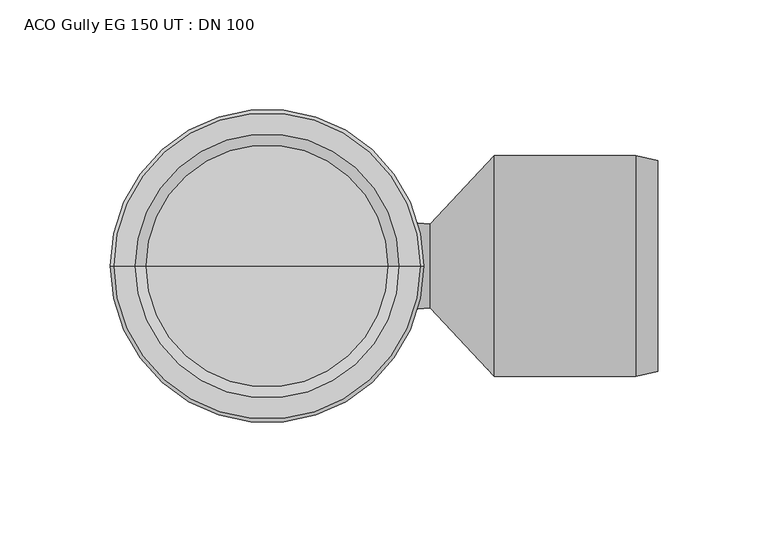
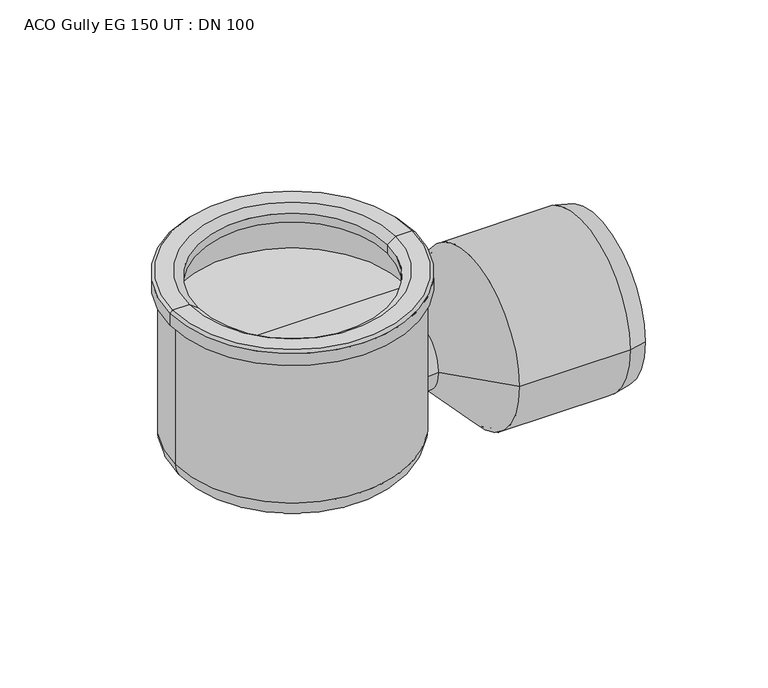
"""IFC4 building model written with IfcOpenShell, lengths in millimetres: flow terminal geometry, ACO Gully EG 150 UT : DN 100."""

from ifc_helpers import new_model, si_unit, point, frame, origin, place, context, project, spatial, polyline, circle_curve, ellipse_curve, trimmed, source, transform, mapped, element, save
from ifc_brep_helpers import plane_surface, cylinder_surface, revolved_surface, advanced_brep


def aco_gully_eg_150_ut_dn_100_2288ac63(model_context):
    return source(origin(), model_context, "Body", "AdvancedBrep", [
        advanced_brep(
        [(-68.0, 0.0, -195.3489424), (68.0, 0.0, -195.3489424), (55.8489424, 0.0, -207.5), (-55.8489424, 0.0, -207.5), (-68.0, 0.0, -108.7851751), (68.0, 0.0, -108.7851751), (0.0, 0.0, -207.5), (-66.5, 0.0, -132.7134268), (66.5, 0.0, -132.7134268), (66.5, 0.0, -108.7851751), (-66.5, 0.0, -108.7851751), (0.0, 0.0, -132.7134268), (-71.0767781, 0.0, -108.7851751), (71.0767781, 0.0, -108.7851751), (-71.0767781, 0.0, -101.5), (71.0767781, 0.0, -101.5), (-69.5767781, 0.0, -100.0), (69.5767781, 0.0, -100.0), (-60.0, 0.0, -100.0), (60.0, 0.0, -100.0), (-55.0, 0.0, -103.4364048), (55.0, 0.0, -103.4364048), (-55.0, 0.0, -108.7851751), (55.0, 0.0, -108.7851751)],
        [
            (0, 1, circle_curve(frame((0.0, 0.0, -195.3489424), z_axis=(0.0, 0.0, -1.0), x_axis=(1.0, 0.0, 0.0)), 68.0)),
            (1, 2, circle_curve(frame((55.8489424, 0.0, -195.3489424), z_axis=(0.0, 1.0, 0.0), x_axis=(1.0, 0.0, 0.0)), 12.1510576)),
            (2, 3, circle_curve(frame((0.0, 0.0, -207.5), z_axis=(0.0, 0.0, 1.0), x_axis=(1.0, 0.0, 0.0)), 55.8489424)),
            (3, 0, circle_curve(frame((-55.8489424, 0.0, -195.3489424), z_axis=(0.0, 1.0, 0.0), x_axis=(-1.0, 0.0, 0.0)), 12.1510576)),
            (1, 0, circle_curve(frame((0.0, 0.0, -195.3489424), z_axis=(0.0, 0.0, -1.0), x_axis=(1.0, 0.0, 0.0)), 68.0)),
            (3, 2, circle_curve(frame((0.0, 0.0, -207.5), z_axis=(0.0, 0.0, 1.0), x_axis=(1.0, 0.0, 0.0)), 55.8489424)),
            (4, 5, circle_curve(frame((0.0, 0.0, -108.7851751), z_axis=(0.0, 0.0, -1.0), x_axis=(1.0, 0.0, 0.0)), 68.0)),
            (5, 1),
            (0, 4),
            (5, 4, circle_curve(frame((0.0, 0.0, -108.7851751), z_axis=(0.0, 0.0, -1.0), x_axis=(1.0, 0.0, 0.0)), 68.0)),
            (2, 6),
            (6, 3),
            (7, 8, circle_curve(frame((0.0, 0.0, -132.7134268), z_axis=(0.0, 0.0, -1.0), x_axis=(1.0, 0.0, 0.0)), 66.5)),
            (8, 9),
            (9, 10, circle_curve(frame((0.0, 0.0, -108.7851751), z_axis=(0.0, 0.0, 1.0), x_axis=(1.0, 0.0, 0.0)), 66.5)),
            (10, 7),
            (8, 7, circle_curve(frame((0.0, 0.0, -132.7134268), z_axis=(0.0, 0.0, -1.0), x_axis=(1.0, 0.0, 0.0)), 66.5)),
            (10, 9, circle_curve(frame((0.0, 0.0, -108.7851751), z_axis=(0.0, 0.0, 1.0), x_axis=(1.0, 0.0, 0.0)), 66.5)),
            (11, 8),
            (7, 11),
            (12, 13, circle_curve(frame((0.0, 0.0, -108.7851751), z_axis=(0.0, 0.0, -1.0), x_axis=(1.0, 0.0, 0.0)), 71.0767781)),
            (13, 5),
            (4, 12),
            (13, 12, circle_curve(frame((0.0, 0.0, -108.7851751), z_axis=(0.0, 0.0, -1.0), x_axis=(1.0, 0.0, 0.0)), 71.0767781)),
            (14, 15, circle_curve(frame((0.0, 0.0, -101.5), z_axis=(0.0, 0.0, -1.0), x_axis=(1.0, 0.0, 0.0)), 71.0767781)),
            (15, 13),
            (12, 14),
            (15, 14, circle_curve(frame((0.0, 0.0, -101.5), z_axis=(0.0, 0.0, -1.0), x_axis=(1.0, 0.0, 0.0)), 71.0767781)),
            (16, 17, circle_curve(frame((0.0, 0.0, -100.0), z_axis=(0.0, 0.0, -1.0), x_axis=(1.0, 0.0, 0.0)), 69.5767781)),
            (17, 15),
            (14, 16),
            (17, 16, circle_curve(frame((0.0, 0.0, -100.0), z_axis=(0.0, 0.0, -1.0), x_axis=(1.0, 0.0, 0.0)), 69.5767781)),
            (18, 19, circle_curve(frame((0.0, 0.0, -100.0), z_axis=(0.0, 0.0, -1.0), x_axis=(1.0, 0.0, 0.0)), 60.0)),
            (19, 17),
            (16, 18),
            (19, 18, circle_curve(frame((0.0, 0.0, -100.0), z_axis=(0.0, 0.0, -1.0), x_axis=(1.0, 0.0, 0.0)), 60.0)),
            (20, 21, circle_curve(frame((0.0, 0.0, -103.4364048), z_axis=(0.0, 0.0, -1.0), x_axis=(1.0, 0.0, 0.0)), 55.0)),
            (21, 19),
            (18, 20),
            (21, 20, circle_curve(frame((0.0, 0.0, -103.4364048), z_axis=(0.0, 0.0, -1.0), x_axis=(1.0, 0.0, 0.0)), 55.0)),
            (22, 23, circle_curve(frame((0.0, 0.0, -108.7851751), z_axis=(0.0, 0.0, -1.0), x_axis=(1.0, 0.0, 0.0)), 55.0)),
            (23, 21),
            (20, 22),
            (23, 22, circle_curve(frame((0.0, 0.0, -108.7851751), z_axis=(0.0, 0.0, -1.0), x_axis=(1.0, 0.0, 0.0)), 55.0)),
            (9, 23),
            (22, 10),
        ],
        [
            revolved_surface(trimmed(ellipse_curve(frame((55.8489424, 0.0, -195.3489424), z_axis=(0.0, -1.0, 0.0), x_axis=(1.0, 0.0, 0.0)), 12.1510576, 12.1510576), [point((55.8489424, 0.0, -207.5))], [point((68.0, 0.0, -195.3489424))], True, "CARTESIAN"), (0.0, 0.0, -101.7134268), (0.0, 0.0, 1.0)),
            cylinder_surface(frame((0.0, 0.0, -101.7134268), z_axis=(0.0, 0.0, 1.0), x_axis=(1.0, 0.0, 0.0)), 68.0),
            plane_surface(frame((0.0, 0.0, -207.5), z_axis=(0.0, 0.0, -1.0), x_axis=(1.0, 0.0, 0.0))),
            revolved_surface(polyline([(66.5, 0.0, -108.7851751), (66.5, 0.0, -132.7134268)]), (0.0, 0.0, -101.7134268), (0.0, 0.0, 1.0)),
            plane_surface(frame((0.0, 0.0, -132.7134268), z_axis=(0.0, 0.0, 1.0), x_axis=(1.0, 0.0, 0.0))),
            plane_surface(frame((0.0, 0.0, -108.7851751), z_axis=(0.0, 0.0, -1.0), x_axis=(1.0, 0.0, 0.0))),
            cylinder_surface(frame((0.0, 0.0, -101.7134268), z_axis=(0.0, 0.0, 1.0), x_axis=(1.0, 0.0, 0.0)), 71.0767781),
            revolved_surface(polyline([(71.0767781, 0.0, -101.5), (69.5767781, 0.0, -100.0)]), (0.0, 0.0, -101.7134268), (0.0, 0.0, 1.0)),
            plane_surface(frame((0.0, 0.0, -100.0), z_axis=(0.0, 0.0, 1.0), x_axis=(1.0, 0.0, 0.0))),
            revolved_surface(polyline([(60.0, 0.0, -100.0), (55.0, 0.0, -103.4364048)]), (0.0, 0.0, -101.7134268), (0.0, 0.0, 1.0)),
            revolved_surface(polyline([(55.0, 0.0, -103.4364048), (55.0, 0.0, -108.7851751)]), (0.0, 0.0, -101.7134268), (0.0, 0.0, 1.0)),
        ],
        [
            (0, [[1, 2, 3, 4]]),
            (0, [[5, -4, 6, -2]]),
            (1, [[7, 8, -1, 9]]),
            (1, [[10, -9, -5, -8]]),
            (2, [[-3, 11, 12]]),
            (2, [[-6, -12, -11]]),
            (3, [[13, 14, 15, 16]]),
            (3, [[17, -16, 18, -14]]),
            (4, [[19, -13, 20]]),
            (4, [[-20, -17, -19]]),
            (5, [[21, 22, -7, 23]]),
            (5, [[24, -23, -10, -22]]),
            (6, [[25, 26, -21, 27]]),
            (6, [[28, -27, -24, -26]]),
            (7, [[29, 30, -25, 31]]),
            (7, [[32, -31, -28, -30]]),
            (8, [[33, 34, -29, 35]]),
            (8, [[36, -35, -32, -34]]),
            (9, [[37, 38, -33, 39]]),
            (9, [[40, -39, -36, -38]]),
            (10, [[41, 42, -37, 43]]),
            (10, [[44, -43, -40, -42]]),
            (5, [[-15, 45, -41, 46]]),
            (5, [[-18, -46, -44, -45]]),
        ],
    ),
        advanced_brep(
        [(177.0374565, -47.8503347, -177.0), (177.0374565, 47.8503347, -177.0), (177.0374565, 46.7901902, -177.0), (177.0374565, -46.7901902, -177.0), (103.0374565, -50.0, -177.0), (103.0374565, 50.0, -177.0), (166.9814513, 50.0, -177.0), (166.9814513, -50.0, -177.0), (0.0374565, 0.0, -177.0), (0.0374565, 25.0, -177.0), (0.0374565, -25.0, -177.0), (73.9410724, -19.0, -177.0), (73.9410724, 19.0, -177.0), (100.0374565, -46.7901902, -177.0), (100.0374565, 46.7901902, -177.0), (100.0374565, 0.0, -177.0)],
        [
            (0, 1, circle_curve(frame((177.0374565, 0.0, -177.0), z_axis=(1.0, 0.0, 0.0), x_axis=(0.0, 1.0, 0.0)), 47.8503347)),
            (1, 2),
            (2, 3, circle_curve(frame((177.0374565, 0.0, -177.0), z_axis=(-1.0, 0.0, 0.0), x_axis=(0.0, 1.0, 0.0)), 46.7901902)),
            (3, 0),
            (1, 0, circle_curve(frame((177.0374565, 0.0, -177.0), z_axis=(1.0, 0.0, 0.0), x_axis=(0.0, 1.0, 0.0)), 47.8503347)),
            (3, 2, circle_curve(frame((177.0374565, 0.0, -177.0), z_axis=(-1.0, 0.0, 0.0), x_axis=(0.0, 1.0, 0.0)), 46.7901902)),
            (4, 5, circle_curve(frame((103.0374565, 0.0, -177.0), z_axis=(1.0, 0.0, 0.0), x_axis=(0.0, 1.0, 0.0)), 50.0)),
            (5, 6),
            (6, 7, circle_curve(frame((166.9814513, 0.0, -177.0), z_axis=(-1.0, 0.0, 0.0), x_axis=(0.0, 1.0, 0.0)), 50.0)),
            (7, 4),
            (5, 4, circle_curve(frame((103.0374565, 0.0, -177.0), z_axis=(1.0, 0.0, 0.0), x_axis=(0.0, 1.0, 0.0)), 50.0)),
            (7, 6, circle_curve(frame((166.9814513, 0.0, -177.0), z_axis=(-1.0, 0.0, 0.0), x_axis=(0.0, 1.0, 0.0)), 50.0)),
            (8, 9),
            (9, 10, circle_curve(frame((0.0374565, 0.0, -177.0), z_axis=(-1.0, 0.0, 0.0), x_axis=(0.0, 1.0, 0.0)), 25.0)),
            (10, 8),
            (10, 9, circle_curve(frame((0.0374565, 0.0, -177.0), z_axis=(-1.0, 0.0, 0.0), x_axis=(0.0, 1.0, 0.0)), 25.0)),
            (11, 12, circle_curve(frame((73.9410724, 0.0, -177.0), z_axis=(1.0, 0.0, 0.0), x_axis=(0.0, 1.0, 0.0)), 19.0)),
            (12, 5),
            (4, 11),
            (12, 11, circle_curve(frame((73.9410724, 0.0, -177.0), z_axis=(1.0, 0.0, 0.0), x_axis=(0.0, 1.0, 0.0)), 19.0)),
            (6, 1),
            (0, 7),
            (13, 14, circle_curve(frame((100.0374565, 0.0, -177.0), z_axis=(1.0, 0.0, 0.0), x_axis=(0.0, 1.0, 0.0)), 46.7901902)),
            (14, 15),
            (15, 13),
            (14, 13, circle_curve(frame((100.0374565, 0.0, -177.0), z_axis=(1.0, 0.0, 0.0), x_axis=(0.0, 1.0, 0.0)), 46.7901902)),
            (2, 14),
            (13, 3),
            (9, 12),
            (11, 10),
        ],
        [
            plane_surface(frame((177.0374565, 0.0, -177.0), z_axis=(1.0, 0.0, 0.0), x_axis=(0.0, 1.0, 0.0))),
            cylinder_surface(frame((0.0, 0.0, -177.0), z_axis=(-1.0, 0.0, 0.0), x_axis=(0.0, 1.0, 0.0)), 50.0),
            plane_surface(frame((0.0374565, 0.0, -177.0), z_axis=(-1.0, 0.0, 0.0), x_axis=(0.0, 1.0, 0.0))),
            revolved_surface(polyline([(103.0374565, 50.0, -177.0), (73.9410724, 19.0, -177.0)]), (0.0, 0.0, -177.0), (-1.0, 0.0, 0.0)),
            revolved_surface(polyline([(177.0374565, 47.8503347, -177.0), (166.9814513, 50.0, -177.0)]), (0.0, 0.0, -177.0), (-1.0, 0.0, 0.0)),
            plane_surface(frame((100.0374565, 0.0, -177.0), z_axis=(1.0, 0.0, 0.0), x_axis=(0.0, 1.0, 0.0))),
            revolved_surface(polyline([(100.0374565, 46.7901902, -177.0), (177.0374565, 46.7901902, -177.0)]), (0.0, 0.0, -177.0), (-1.0, 0.0, 0.0)),
            revolved_surface(polyline([(73.9410724, 19.0, -177.0), (0.0374565, 25.0, -177.0)]), (0.0, 0.0, -177.0), (-1.0, 0.0, 0.0)),
        ],
        [
            (0, [[1, 2, 3, 4]]),
            (0, [[5, -4, 6, -2]]),
            (1, [[7, 8, 9, 10]]),
            (1, [[11, -10, 12, -8]]),
            (2, [[13, 14, 15]]),
            (2, [[-15, 16, -13]]),
            (3, [[17, 18, -7, 19]]),
            (3, [[20, -19, -11, -18]]),
            (4, [[-9, 21, -1, 22]]),
            (4, [[-12, -22, -5, -21]]),
            (5, [[23, 24, 25]]),
            (5, [[26, -25, -24]]),
            (6, [[-3, 27, -23, 28]]),
            (6, [[-6, -28, -26, -27]]),
            (7, [[-14, 29, -17, 30]]),
            (7, [[-16, -30, -20, -29]]),
        ],
    ),
    ])


if __name__ == "__main__":
    model = new_model("IFC4")
    model_context = context("Model", 3, world=origin())
    ifc_project = project(units=[si_unit("LENGTHUNIT", "METRE", prefix="MILLI")], contexts=[model_context])
    site = spatial("IfcSite", under=ifc_project)
    building = spatial("IfcBuilding", under=site)
    placement = place(None, origin())
    aco_gully_eg_150_ut_dn_100_shape = aco_gully_eg_150_ut_dn_100_2288ac63(model_context)
    element("IfcFlowTerminal", 1, ObjectType="ACO Gully EG 150 UT : DN 100", at=placement, inside=building, context=model_context, shape_type="MappedRepresentation", body=[
        mapped(aco_gully_eg_150_ut_dn_100_shape, transform((0.0, 0.0, 0.0), x_axis=(1.0, 0.0, 0.0), y_axis=(0.0, 1.0, 0.0), z_axis=(0.0, 0.0, 1.0))),
    ])
    save(model, "model.ifc")
